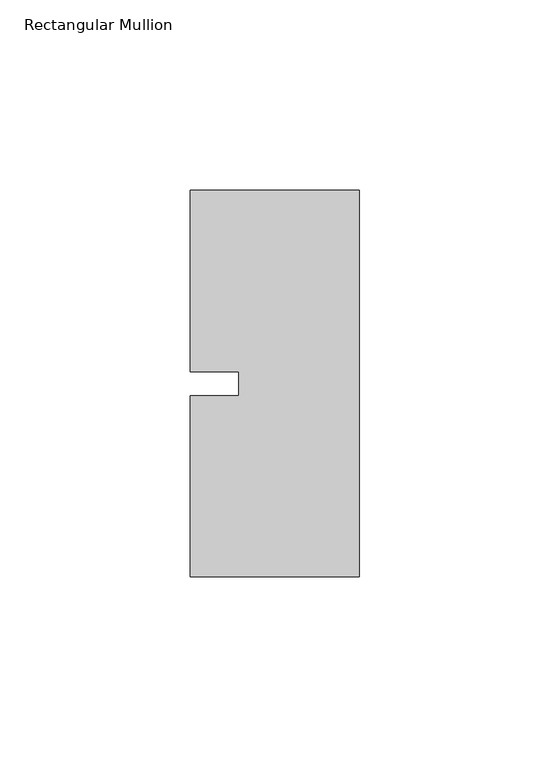
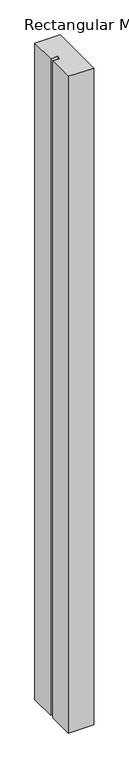
"""IFC4 building model written with IfcOpenShell, lengths in millimetres: member geometry, Rectangular Mullion."""

from ifc_helpers import new_model, si_unit, frame, origin, place, context, project, spatial, polyline, outline, extrude, source, transform, mapped, element, save


def rectangular_mullion_294294de(model_context):
    return source(origin(), model_context, "Body", "SweptSolid", [
        extrude(outline(polyline([(26.5594027, 50.8), (26.5594027, -50.8), (-17.8905973, -50.8), (-17.8905973, -3.175), (-5.1905973, -3.175), (-5.1905973, 3.175), (-17.8905973, 3.175), (-17.8905973, 50.8), (26.5594027, 50.8)])), frame((0.0, 0.0, -1219.2), z_axis=(0.0, 0.0, 1.0), x_axis=(1.0, 0.0, 0.0)), (0.0, 0.0, 1.0), 1219.2),
    ])


if __name__ == "__main__":
    model = new_model("IFC4")
    model_context = context("Model", 3, world=origin())
    ifc_project = project(units=[si_unit("LENGTHUNIT", "METRE", prefix="MILLI")], contexts=[model_context])
    site = spatial("IfcSite", under=ifc_project)
    building = spatial("IfcBuilding", under=site)
    placement = place(None, origin())
    rectangular_mullion_shape = rectangular_mullion_294294de(model_context)
    element("IfcMember", 1, ObjectType="Rectangular Mullion", at=placement, inside=building, context=model_context, shape_type="MappedRepresentation", body=[
        mapped(rectangular_mullion_shape, transform((0.0, 0.0, 0.0), x_axis=(1.0, 0.0, 0.0), y_axis=(0.0, 1.0, 0.0), z_axis=(0.0, 0.0, 1.0))),
    ])
    save(model, "model.ifc")
